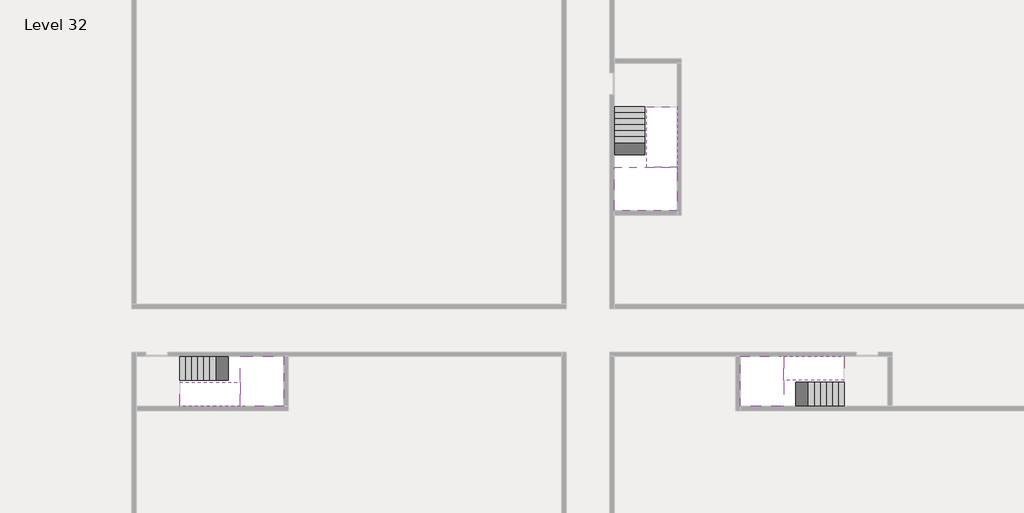
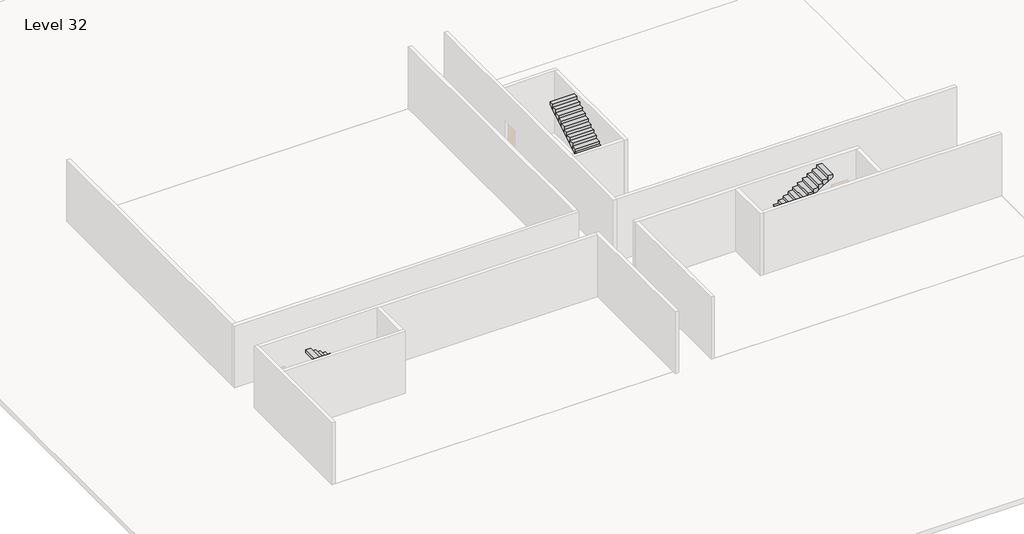
# One storey, part 2 of 2: 6 stair flights, 3 slabs.
"""IFC4 building model written with IfcOpenShell, lengths in millimetres."""

from ifc_helpers import new_model, si_unit, origin, place, context, project, spatial, faceted_brep, element, save

model = new_model("IFC4")

# Units and contexts
model_context = context("Model", 3, world=origin())
ifc_project = project(units=[si_unit("LENGTHUNIT", "METRE", prefix="MILLI")], contexts=[model_context])

# Site, building, storey
site = spatial("IfcSite", under=ifc_project)
building = spatial("IfcBuilding", under=site)
storey = spatial("IfcBuildingStorey", under=building, Name="Level 32", Elevation=117800.0)

# Slabs
placement = place(None, origin())
element("IfcSlab", 1, at=placement, inside=storey, context=model_context, shape_type="Brep", body=[
    faceted_brep([(8190.1058784, -42918.09644, 119700.0), (8190.1058784, -44018.09644, 119700.0), (8190.1058784, -44118.09644, 119700.0), (8190.1058784, -45218.09644, 119700.0), (8390.7194421, -45218.09644, 119700.0), (10190.1058784, -45218.09644, 119700.0), (10190.1058784, -42918.09644, 119700.0), (8269.4923146, -42918.09644, 119700.0), (8190.1058784, -42918.09644, 119527.2727273), (8190.1058784, -42918.09644, 119351.0278478), (8190.1058784, -44018.09644, 119351.0278478), (8190.1058784, -44018.09644, 119400.0), (8190.1058784, -44118.09644, 119400.0), (8190.1058784, -44118.09644, 119523.7551205), (8190.1058784, -45218.09644, 119523.7551205), (8390.7194421, -45218.09644, 119400.0), (10190.1058784, -45218.09644, 119400.0), (10190.1058784, -42918.09644, 119400.0), (8269.4923146, -42918.09644, 119400.0), (8390.7194421, -44118.09644, 119400.0), (8269.4923146, -44018.09644, 119400.0)], [[[0, 1, 2, 3, 4, 5, 6, 7]], [[1, 0, 8, 9, 10, 11]], [[2, 1, 11, 12, 13]], [[3, 2, 13, 14]], [[3, 14, 15, 16, 5, 4]], [[6, 5, 16, 17]], [[9, 8, 0, 7, 6, 17, 18]], [[19, 12, 11, 20, 18, 17, 16, 15]], [[12, 19, 13]], [[18, 20, 10, 9]], [[20, 11, 10]], [[19, 15, 14, 13]]]),
])
element("IfcSlab", 2, at=placement, inside=storey, context=model_context, shape_type="Brep", body=[
    faceted_brep([(33190.1058784, -45218.09644, 119700.0), (33190.1058784, -44118.09644, 119700.0), (33190.1058784, -44018.09644, 119700.0), (33190.1058784, -42918.09644, 119700.0), (32989.4923146, -42918.09644, 119700.0), (31190.1058784, -42918.09644, 119700.0), (31190.1058784, -45218.09644, 119700.0), (33110.7194421, -45218.09644, 119700.0), (33190.1058784, -45218.09644, 119527.2727273), (33190.1058784, -45218.09644, 119351.0278478), (33190.1058784, -44118.09644, 119351.0278478), (33190.1058784, -44118.09644, 119400.0), (33190.1058784, -44018.09644, 119400.0), (33190.1058784, -44018.09644, 119523.7551205), (33190.1058784, -42918.09644, 119523.7551205), (32989.4923146, -42918.09644, 119400.0), (31190.1058784, -42918.09644, 119400.0), (31190.1058784, -45218.09644, 119400.0), (33110.7194421, -45218.09644, 119400.0), (32989.4923146, -44018.09644, 119400.0), (33110.7194421, -44118.09644, 119400.0)], [[[0, 1, 2, 3, 4, 5, 6, 7]], [[1, 0, 8, 9, 10, 11]], [[2, 1, 11, 12, 13]], [[3, 2, 13, 14]], [[3, 14, 15, 16, 5, 4]], [[6, 5, 16, 17]], [[9, 8, 0, 7, 6, 17, 18]], [[19, 12, 11, 20, 18, 17, 16, 15]], [[12, 19, 13]], [[18, 20, 10, 9]], [[20, 11, 10]], [[19, 15, 14, 13]]]),
])
element("IfcSlab", 3, at=placement, inside=storey, context=model_context, shape_type="Brep", body=[
    faceted_brep([(26790.1058784, -34218.09644, 119700.0), (25390.1058784, -34218.09644, 119700.0), (25390.1058784, -34297.4828763, 119700.0), (25390.1058784, -36218.09644, 119700.0), (28290.1058784, -36218.09644, 119700.0), (28290.1058784, -34418.7100038, 119700.0), (28290.1058784, -34218.09644, 119700.0), (26890.1058784, -34218.09644, 119700.0), (26790.1058784, -34218.09644, 119400.0), (26790.1058784, -34218.09644, 119351.0278478), (25390.1058784, -34218.09644, 119351.0278478), (25390.1058784, -34218.09644, 119527.2727273), (25390.1058784, -34297.4828763, 119400.0), (25390.1058784, -36218.09644, 119400.0), (28290.1058784, -36218.09644, 119400.0), (28290.1058784, -34418.7100038, 119400.0), (28290.1058784, -34218.09644, 119523.7551205), (26890.1058784, -34218.09644, 119523.7551205), (26890.1058784, -34218.09644, 119400.0), (26890.1058784, -34418.7100038, 119400.0), (26790.1058784, -34297.4828763, 119400.0)], [[[0, 1, 2, 3, 4, 5, 6, 7]], [[1, 0, 8, 9, 10, 11]], [[1, 11, 10, 12, 13, 3, 2]], [[4, 3, 13, 14]], [[4, 14, 15, 16, 6, 5]], [[7, 6, 16, 17]], [[0, 7, 17, 18, 8]], [[18, 19, 15, 14, 13, 12, 20, 8]], [[19, 18, 17]], [[20, 12, 10, 9]], [[8, 20, 9]], [[15, 19, 17, 16]]]),
])

# Stair flights
element("IfcStairFlight", 4, at=placement, inside=storey, context=model_context, shape_type="Brep", body=[
    faceted_brep([(5670.1058784, -42918.09644, 117972.7272727), (5390.1058784, -42918.09644, 117972.7272727), (5390.1058784, -44018.09644, 117972.7272727), (5670.1058784, -44018.09644, 117972.7272727), (5670.1058784, -42918.09644, 117800.0), (5390.1058784, -42918.09644, 117800.0), (5390.1058784, -44018.09644, 117800.0), (5670.1058784, -44018.09644, 117800.0), (5950.1058784, -42918.09644, 118145.4545455), (5670.1058784, -42918.09644, 118145.4545455), (5670.1058784, -44018.09644, 118145.4545455), (5950.1058784, -44018.09644, 118145.4545455), (5950.1058784, -42918.09644, 117969.209666), (5675.8081041, -42918.09644, 117800.0), (5675.8081041, -44018.09644, 117800.0), (5950.1058784, -44018.09644, 117969.209666), (6230.1058784, -42918.09644, 118318.1818182), (5950.1058784, -42918.09644, 118318.1818182), (5950.1058784, -44018.09644, 118318.1818182), (6230.1058784, -44018.09644, 118318.1818182), (6230.1058784, -42918.09644, 118141.9369387), (6230.1058784, -44018.09644, 118141.9369387), (6510.1058784, -42918.09644, 118490.9090909), (6230.1058784, -42918.09644, 118490.9090909), (6230.1058784, -44018.09644, 118490.9090909), (6510.1058784, -44018.09644, 118490.9090909), (6510.1058784, -42918.09644, 118314.6642114), (6510.1058784, -44018.09644, 118314.6642114), (6790.1058784, -42918.09644, 118663.6363636), (6510.1058784, -42918.09644, 118663.6363636), (6510.1058784, -44018.09644, 118663.6363636), (6790.1058784, -44018.09644, 118663.6363636), (6790.1058784, -42918.09644, 118487.3914841), (6790.1058784, -44018.09644, 118487.3914841), (7070.1058784, -42918.09644, 118836.3636364), (6790.1058784, -42918.09644, 118836.3636364), (6790.1058784, -44018.09644, 118836.3636364), (7070.1058784, -44018.09644, 118836.3636364), (7070.1058784, -42918.09644, 118660.1187569), (7070.1058784, -44018.09644, 118660.1187569), (7350.1058784, -42918.09644, 119009.0909091), (7070.1058784, -42918.09644, 119009.0909091), (7070.1058784, -44018.09644, 119009.0909091), (7350.1058784, -44018.09644, 119009.0909091), (7350.1058784, -42918.09644, 118832.8460296), (7350.1058784, -44018.09644, 118832.8460296), (7630.1058784, -42918.09644, 119181.8181818), (7350.1058784, -42918.09644, 119181.8181818), (7350.1058784, -44018.09644, 119181.8181818), (7630.1058784, -44018.09644, 119181.8181818), (7630.1058784, -42918.09644, 119005.5733023), (7630.1058784, -44018.09644, 119005.5733023), (7910.1058784, -42918.09644, 119354.5454545), (7630.1058784, -42918.09644, 119354.5454545), (7630.1058784, -44018.09644, 119354.5454545), (7910.1058784, -44018.09644, 119354.5454545), (7910.1058784, -42918.09644, 119178.3005751), (7910.1058784, -44018.09644, 119178.3005751), (8190.1058784, -42918.09644, 119527.2727273), (7910.1058784, -42918.09644, 119527.2727273), (7910.1058784, -44018.09644, 119527.2727273), (8190.1058784, -44018.09644, 119527.2727273), (8190.1058784, -42918.09644, 119351.0278478), (8190.1058784, -44018.09644, 119351.0278478), (8190.1058784, -44018.09644, 119400.0)], [[[0, 1, 2, 3]], [[1, 0, 4, 5]], [[2, 1, 5, 6]], [[3, 2, 6, 7]], [[8, 9, 10, 11]], [[4, 0, 9, 8, 12, 13]], [[0, 3, 10, 9]], [[3, 7, 14, 15, 11, 10]], [[16, 17, 18, 19]], [[17, 16, 20, 12, 8]], [[8, 11, 18, 17]], [[19, 18, 11, 15, 21]], [[22, 23, 24, 25]], [[23, 22, 26, 20, 16]], [[16, 19, 24, 23]], [[25, 24, 19, 21, 27]], [[28, 29, 30, 31]], [[29, 28, 32, 26, 22]], [[22, 25, 30, 29]], [[31, 30, 25, 27, 33]], [[34, 35, 36, 37]], [[35, 34, 38, 32, 28]], [[28, 31, 36, 35]], [[37, 36, 31, 33, 39]], [[40, 41, 42, 43]], [[41, 40, 44, 38, 34]], [[34, 37, 42, 41]], [[43, 42, 37, 39, 45]], [[46, 47, 48, 49]], [[47, 46, 50, 44, 40]], [[40, 43, 48, 47]], [[49, 48, 43, 45, 51]], [[52, 53, 54, 55]], [[53, 52, 56, 50, 46]], [[46, 49, 54, 53]], [[55, 54, 49, 51, 57]], [[58, 59, 60, 61]], [[59, 58, 62, 56, 52]], [[52, 55, 60, 59]], [[61, 60, 55, 57, 63, 64]], [[58, 61, 64, 63, 62]], [[5, 4, 13, 14, 7, 6]], [[14, 13, 12, 20, 26, 32, 38, 44, 50, 56, 62, 63, 57, 51, 45, 39, 33, 27, 21, 15]]]),
])
element("IfcStairFlight", 5, at=placement, inside=storey, context=model_context, shape_type="Brep", body=[
    faceted_brep([(7910.1058784, -45218.09644, 119872.7272727), (8190.1058784, -45218.09644, 119872.7272727), (8190.1058784, -44118.09644, 119872.7272727), (7910.1058784, -44118.09644, 119872.7272727), (7910.1058784, -45218.09644, 119696.4823932), (8190.1058784, -45218.09644, 119523.7551205), (8190.1058784, -45218.09644, 119700.0), (8190.1058784, -44118.09644, 119523.7551205), (7910.1058784, -44118.09644, 119696.4823932), (7630.1058784, -45218.09644, 120045.4545455), (7910.1058784, -45218.09644, 120045.4545455), (7910.1058784, -44118.09644, 120045.4545455), (7630.1058784, -44118.09644, 120045.4545455), (7630.1058784, -45218.09644, 119869.209666), (7630.1058784, -44118.09644, 119869.209666), (7350.1058784, -45218.09644, 120218.1818182), (7630.1058784, -45218.09644, 120218.1818182), (7630.1058784, -44118.09644, 120218.1818182), (7350.1058784, -44118.09644, 120218.1818182), (7350.1058784, -45218.09644, 120041.9369387), (7350.1058784, -44118.09644, 120041.9369387), (7070.1058784, -45218.09644, 120390.9090909), (7350.1058784, -45218.09644, 120390.9090909), (7350.1058784, -44118.09644, 120390.9090909), (7070.1058784, -44118.09644, 120390.9090909), (7070.1058784, -45218.09644, 120214.6642114), (7070.1058784, -44118.09644, 120214.6642114), (6790.1058784, -45218.09644, 120563.6363636), (7070.1058784, -45218.09644, 120563.6363636), (7070.1058784, -44118.09644, 120563.6363636), (6790.1058784, -44118.09644, 120563.6363636), (6790.1058784, -45218.09644, 120387.3914841), (6790.1058784, -44118.09644, 120387.3914841), (6510.1058784, -45218.09644, 120736.3636364), (6790.1058784, -45218.09644, 120736.3636364), (6790.1058784, -44118.09644, 120736.3636364), (6510.1058784, -44118.09644, 120736.3636364), (6510.1058784, -45218.09644, 120560.1187569), (6510.1058784, -44118.09644, 120560.1187569), (6230.1058784, -45218.09644, 120909.0909091), (6510.1058784, -45218.09644, 120909.0909091), (6510.1058784, -44118.09644, 120909.0909091), (6230.1058784, -44118.09644, 120909.0909091), (6230.1058784, -45218.09644, 120732.8460296), (6230.1058784, -44118.09644, 120732.8460296), (5950.1058784, -45218.09644, 121081.8181818), (6230.1058784, -45218.09644, 121081.8181818), (6230.1058784, -44118.09644, 121081.8181818), (5950.1058784, -44118.09644, 121081.8181818), (5950.1058784, -45218.09644, 120905.5733023), (5950.1058784, -44118.09644, 120905.5733023), (5670.1058784, -45218.09644, 121254.5454545), (5950.1058784, -45218.09644, 121254.5454545), (5950.1058784, -44118.09644, 121254.5454545), (5670.1058784, -44118.09644, 121254.5454545), (5670.1058784, -45218.09644, 121078.3005751), (5670.1058784, -44118.09644, 121078.3005751), (5390.1058784, -45218.09644, 121427.2727273), (5670.1058784, -45218.09644, 121427.2727273), (5670.1058784, -44118.09644, 121427.2727273), (5390.1058784, -44118.09644, 121427.2727273), (5390.1058784, -45218.09644, 121251.0278478), (5390.1058784, -44118.09644, 121251.0278478)], [[[0, 1, 2, 3]], [[1, 0, 4, 5, 6]], [[2, 1, 6, 5, 7]], [[3, 2, 7, 8]], [[9, 10, 11, 12]], [[10, 9, 13, 4, 0]], [[11, 10, 0, 3]], [[12, 11, 3, 8, 14]], [[15, 16, 17, 18]], [[16, 15, 19, 13, 9]], [[17, 16, 9, 12]], [[18, 17, 12, 14, 20]], [[21, 22, 23, 24]], [[22, 21, 25, 19, 15]], [[23, 22, 15, 18]], [[24, 23, 18, 20, 26]], [[27, 28, 29, 30]], [[28, 27, 31, 25, 21]], [[29, 28, 21, 24]], [[30, 29, 24, 26, 32]], [[33, 34, 35, 36]], [[34, 33, 37, 31, 27]], [[35, 34, 27, 30]], [[36, 35, 30, 32, 38]], [[39, 40, 41, 42]], [[40, 39, 43, 37, 33]], [[41, 40, 33, 36]], [[42, 41, 36, 38, 44]], [[45, 46, 47, 48]], [[46, 45, 49, 43, 39]], [[47, 46, 39, 42]], [[48, 47, 42, 44, 50]], [[51, 52, 53, 54]], [[52, 51, 55, 49, 45]], [[53, 52, 45, 48]], [[54, 53, 48, 50, 56]], [[57, 58, 59, 60]], [[58, 57, 61, 55, 51]], [[59, 58, 51, 54]], [[60, 59, 54, 56, 62]], [[57, 60, 62, 61]], [[5, 4, 13, 19, 25, 31, 37, 43, 49, 55, 61, 62, 56, 50, 44, 38, 32, 26, 20, 14, 8, 7]]]),
])
element("IfcStairFlight", 6, at=placement, inside=storey, context=model_context, shape_type="Brep", body=[
    faceted_brep([(35710.1058784, -45218.09644, 117972.7272727), (35990.1058784, -45218.09644, 117972.7272727), (35990.1058784, -44118.09644, 117972.7272727), (35710.1058784, -44118.09644, 117972.7272727), (35710.1058784, -45218.09644, 117800.0), (35990.1058784, -45218.09644, 117800.0), (35990.1058784, -44118.09644, 117800.0), (35710.1058784, -44118.09644, 117800.0), (35430.1058784, -45218.09644, 118145.4545455), (35710.1058784, -45218.09644, 118145.4545455), (35710.1058784, -44118.09644, 118145.4545455), (35430.1058784, -44118.09644, 118145.4545455), (35430.1058784, -45218.09644, 117969.209666), (35704.4036527, -45218.09644, 117800.0), (35704.4036527, -44118.09644, 117800.0), (35430.1058784, -44118.09644, 117969.209666), (35150.1058784, -45218.09644, 118318.1818182), (35430.1058784, -45218.09644, 118318.1818182), (35430.1058784, -44118.09644, 118318.1818182), (35150.1058784, -44118.09644, 118318.1818182), (35150.1058784, -45218.09644, 118141.9369387), (35150.1058784, -44118.09644, 118141.9369387), (34870.1058784, -45218.09644, 118490.9090909), (35150.1058784, -45218.09644, 118490.9090909), (35150.1058784, -44118.09644, 118490.9090909), (34870.1058784, -44118.09644, 118490.9090909), (34870.1058784, -45218.09644, 118314.6642114), (34870.1058784, -44118.09644, 118314.6642114), (34590.1058784, -45218.09644, 118663.6363636), (34870.1058784, -45218.09644, 118663.6363636), (34870.1058784, -44118.09644, 118663.6363636), (34590.1058784, -44118.09644, 118663.6363636), (34590.1058784, -45218.09644, 118487.3914841), (34590.1058784, -44118.09644, 118487.3914841), (34310.1058784, -45218.09644, 118836.3636364), (34590.1058784, -45218.09644, 118836.3636364), (34590.1058784, -44118.09644, 118836.3636364), (34310.1058784, -44118.09644, 118836.3636364), (34310.1058784, -45218.09644, 118660.1187569), (34310.1058784, -44118.09644, 118660.1187569), (34030.1058784, -45218.09644, 119009.0909091), (34310.1058784, -45218.09644, 119009.0909091), (34310.1058784, -44118.09644, 119009.0909091), (34030.1058784, -44118.09644, 119009.0909091), (34030.1058784, -45218.09644, 118832.8460296), (34030.1058784, -44118.09644, 118832.8460296), (33750.1058784, -45218.09644, 119181.8181818), (34030.1058784, -45218.09644, 119181.8181818), (34030.1058784, -44118.09644, 119181.8181818), (33750.1058784, -44118.09644, 119181.8181818), (33750.1058784, -45218.09644, 119005.5733023), (33750.1058784, -44118.09644, 119005.5733023), (33470.1058784, -45218.09644, 119354.5454545), (33750.1058784, -45218.09644, 119354.5454545), (33750.1058784, -44118.09644, 119354.5454545), (33470.1058784, -44118.09644, 119354.5454545), (33470.1058784, -45218.09644, 119178.3005751), (33470.1058784, -44118.09644, 119178.3005751), (33190.1058784, -45218.09644, 119527.2727273), (33470.1058784, -45218.09644, 119527.2727273), (33470.1058784, -44118.09644, 119527.2727273), (33190.1058784, -44118.09644, 119527.2727273), (33190.1058784, -45218.09644, 119351.0278478), (33190.1058784, -44118.09644, 119351.0278478), (33190.1058784, -44118.09644, 119400.0)], [[[0, 1, 2, 3]], [[1, 0, 4, 5]], [[2, 1, 5, 6]], [[3, 2, 6, 7]], [[8, 9, 10, 11]], [[4, 0, 9, 8, 12, 13]], [[0, 3, 10, 9]], [[3, 7, 14, 15, 11, 10]], [[16, 17, 18, 19]], [[17, 16, 20, 12, 8]], [[8, 11, 18, 17]], [[19, 18, 11, 15, 21]], [[22, 23, 24, 25]], [[23, 22, 26, 20, 16]], [[16, 19, 24, 23]], [[25, 24, 19, 21, 27]], [[28, 29, 30, 31]], [[29, 28, 32, 26, 22]], [[22, 25, 30, 29]], [[31, 30, 25, 27, 33]], [[34, 35, 36, 37]], [[35, 34, 38, 32, 28]], [[28, 31, 36, 35]], [[37, 36, 31, 33, 39]], [[40, 41, 42, 43]], [[41, 40, 44, 38, 34]], [[34, 37, 42, 41]], [[43, 42, 37, 39, 45]], [[46, 47, 48, 49]], [[47, 46, 50, 44, 40]], [[40, 43, 48, 47]], [[49, 48, 43, 45, 51]], [[52, 53, 54, 55]], [[53, 52, 56, 50, 46]], [[46, 49, 54, 53]], [[55, 54, 49, 51, 57]], [[58, 59, 60, 61]], [[59, 58, 62, 56, 52]], [[52, 55, 60, 59]], [[61, 60, 55, 57, 63, 64]], [[58, 61, 64, 63, 62]], [[5, 4, 13, 14, 7, 6]], [[14, 13, 12, 20, 26, 32, 38, 44, 50, 56, 62, 63, 57, 51, 45, 39, 33, 27, 21, 15]]]),
])
element("IfcStairFlight", 7, at=placement, inside=storey, context=model_context, shape_type="Brep", body=[
    faceted_brep([(33470.1058784, -42918.09644, 119872.7272727), (33190.1058784, -42918.09644, 119872.7272727), (33190.1058784, -44018.09644, 119872.7272727), (33470.1058784, -44018.09644, 119872.7272727), (33470.1058784, -42918.09644, 119696.4823932), (33190.1058784, -42918.09644, 119523.7551205), (33190.1058784, -42918.09644, 119700.0), (33190.1058784, -44018.09644, 119523.7551205), (33470.1058784, -44018.09644, 119696.4823932), (33750.1058784, -42918.09644, 120045.4545455), (33470.1058784, -42918.09644, 120045.4545455), (33470.1058784, -44018.09644, 120045.4545455), (33750.1058784, -44018.09644, 120045.4545455), (33750.1058784, -42918.09644, 119869.209666), (33750.1058784, -44018.09644, 119869.209666), (34030.1058784, -42918.09644, 120218.1818182), (33750.1058784, -42918.09644, 120218.1818182), (33750.1058784, -44018.09644, 120218.1818182), (34030.1058784, -44018.09644, 120218.1818182), (34030.1058784, -42918.09644, 120041.9369387), (34030.1058784, -44018.09644, 120041.9369387), (34310.1058784, -42918.09644, 120390.9090909), (34030.1058784, -42918.09644, 120390.9090909), (34030.1058784, -44018.09644, 120390.9090909), (34310.1058784, -44018.09644, 120390.9090909), (34310.1058784, -42918.09644, 120214.6642114), (34310.1058784, -44018.09644, 120214.6642114), (34590.1058784, -42918.09644, 120563.6363636), (34310.1058784, -42918.09644, 120563.6363636), (34310.1058784, -44018.09644, 120563.6363636), (34590.1058784, -44018.09644, 120563.6363636), (34590.1058784, -42918.09644, 120387.3914841), (34590.1058784, -44018.09644, 120387.3914841), (34870.1058784, -42918.09644, 120736.3636364), (34590.1058784, -42918.09644, 120736.3636364), (34590.1058784, -44018.09644, 120736.3636364), (34870.1058784, -44018.09644, 120736.3636364), (34870.1058784, -42918.09644, 120560.1187569), (34870.1058784, -44018.09644, 120560.1187569), (35150.1058784, -42918.09644, 120909.0909091), (34870.1058784, -42918.09644, 120909.0909091), (34870.1058784, -44018.09644, 120909.0909091), (35150.1058784, -44018.09644, 120909.0909091), (35150.1058784, -42918.09644, 120732.8460296), (35150.1058784, -44018.09644, 120732.8460296), (35430.1058784, -42918.09644, 121081.8181818), (35150.1058784, -42918.09644, 121081.8181818), (35150.1058784, -44018.09644, 121081.8181818), (35430.1058784, -44018.09644, 121081.8181818), (35430.1058784, -42918.09644, 120905.5733023), (35430.1058784, -44018.09644, 120905.5733023), (35710.1058784, -42918.09644, 121254.5454545), (35430.1058784, -42918.09644, 121254.5454545), (35430.1058784, -44018.09644, 121254.5454545), (35710.1058784, -44018.09644, 121254.5454545), (35710.1058784, -42918.09644, 121078.3005751), (35710.1058784, -44018.09644, 121078.3005751), (35990.1058784, -42918.09644, 121427.2727273), (35710.1058784, -42918.09644, 121427.2727273), (35710.1058784, -44018.09644, 121427.2727273), (35990.1058784, -44018.09644, 121427.2727273), (35990.1058784, -42918.09644, 121251.0278478), (35990.1058784, -44018.09644, 121251.0278478)], [[[0, 1, 2, 3]], [[1, 0, 4, 5, 6]], [[2, 1, 6, 5, 7]], [[3, 2, 7, 8]], [[9, 10, 11, 12]], [[10, 9, 13, 4, 0]], [[11, 10, 0, 3]], [[12, 11, 3, 8, 14]], [[15, 16, 17, 18]], [[16, 15, 19, 13, 9]], [[17, 16, 9, 12]], [[18, 17, 12, 14, 20]], [[21, 22, 23, 24]], [[22, 21, 25, 19, 15]], [[23, 22, 15, 18]], [[24, 23, 18, 20, 26]], [[27, 28, 29, 30]], [[28, 27, 31, 25, 21]], [[29, 28, 21, 24]], [[30, 29, 24, 26, 32]], [[33, 34, 35, 36]], [[34, 33, 37, 31, 27]], [[35, 34, 27, 30]], [[36, 35, 30, 32, 38]], [[39, 40, 41, 42]], [[40, 39, 43, 37, 33]], [[41, 40, 33, 36]], [[42, 41, 36, 38, 44]], [[45, 46, 47, 48]], [[46, 45, 49, 43, 39]], [[47, 46, 39, 42]], [[48, 47, 42, 44, 50]], [[51, 52, 53, 54]], [[52, 51, 55, 49, 45]], [[53, 52, 45, 48]], [[54, 53, 48, 50, 56]], [[57, 58, 59, 60]], [[58, 57, 61, 55, 51]], [[59, 58, 51, 54]], [[60, 59, 54, 56, 62]], [[57, 60, 62, 61]], [[5, 4, 13, 19, 25, 31, 37, 43, 49, 55, 61, 62, 56, 50, 44, 38, 32, 26, 20, 14, 8, 7]]]),
])
element("IfcStairFlight", 8, at=placement, inside=storey, context=model_context, shape_type="Brep", body=[
    faceted_brep([(26790.1058784, -31698.09644, 117972.7272727), (26790.1058784, -31418.09644, 117972.7272727), (25390.1058784, -31418.09644, 117972.7272727), (25390.1058784, -31698.09644, 117972.7272727), (26790.1058784, -31698.09644, 117800.0), (26790.1058784, -31418.09644, 117800.0), (25390.1058784, -31418.09644, 117800.0), (25390.1058784, -31698.09644, 117800.0), (26790.1058784, -31978.09644, 118145.4545455), (26790.1058784, -31698.09644, 118145.4545455), (25390.1058784, -31698.09644, 118145.4545455), (25390.1058784, -31978.09644, 118145.4545455), (26790.1058784, -31978.09644, 117969.209666), (26790.1058784, -31703.7986657, 117800.0), (25390.1058784, -31703.7986657, 117800.0), (25390.1058784, -31978.09644, 117969.209666), (26790.1058784, -32258.09644, 118318.1818182), (26790.1058784, -31978.09644, 118318.1818182), (25390.1058784, -31978.09644, 118318.1818182), (25390.1058784, -32258.09644, 118318.1818182), (26790.1058784, -32258.09644, 118141.9369387), (25390.1058784, -32258.09644, 118141.9369387), (26790.1058784, -32538.09644, 118490.9090909), (26790.1058784, -32258.09644, 118490.9090909), (25390.1058784, -32258.09644, 118490.9090909), (25390.1058784, -32538.09644, 118490.9090909), (26790.1058784, -32538.09644, 118314.6642114), (25390.1058784, -32538.09644, 118314.6642114), (26790.1058784, -32818.09644, 118663.6363636), (26790.1058784, -32538.09644, 118663.6363636), (25390.1058784, -32538.09644, 118663.6363636), (25390.1058784, -32818.09644, 118663.6363636), (26790.1058784, -32818.09644, 118487.3914841), (25390.1058784, -32818.09644, 118487.3914841), (26790.1058784, -33098.09644, 118836.3636364), (26790.1058784, -32818.09644, 118836.3636364), (25390.1058784, -32818.09644, 118836.3636364), (25390.1058784, -33098.09644, 118836.3636364), (26790.1058784, -33098.09644, 118660.1187569), (25390.1058784, -33098.09644, 118660.1187569), (26790.1058784, -33378.09644, 119009.0909091), (26790.1058784, -33098.09644, 119009.0909091), (25390.1058784, -33098.09644, 119009.0909091), (25390.1058784, -33378.09644, 119009.0909091), (26790.1058784, -33378.09644, 118832.8460296), (25390.1058784, -33378.09644, 118832.8460296), (26790.1058784, -33658.09644, 119181.8181818), (26790.1058784, -33378.09644, 119181.8181818), (25390.1058784, -33378.09644, 119181.8181818), (25390.1058784, -33658.09644, 119181.8181818), (26790.1058784, -33658.09644, 119005.5733023), (25390.1058784, -33658.09644, 119005.5733023), (26790.1058784, -33938.09644, 119354.5454545), (26790.1058784, -33658.09644, 119354.5454545), (25390.1058784, -33658.09644, 119354.5454545), (25390.1058784, -33938.09644, 119354.5454545), (26790.1058784, -33938.09644, 119178.3005751), (25390.1058784, -33938.09644, 119178.3005751), (26790.1058784, -34218.09644, 119527.2727273), (26790.1058784, -33938.09644, 119527.2727273), (25390.1058784, -33938.09644, 119527.2727273), (25390.1058784, -34218.09644, 119527.2727273), (26790.1058784, -34218.09644, 119400.0), (26790.1058784, -34218.09644, 119351.0278478), (25390.1058784, -34218.09644, 119351.0278478)], [[[0, 1, 2, 3]], [[1, 0, 4, 5]], [[2, 1, 5, 6]], [[3, 2, 6, 7]], [[8, 9, 10, 11]], [[4, 0, 9, 8, 12, 13]], [[0, 3, 10, 9]], [[3, 7, 14, 15, 11, 10]], [[16, 17, 18, 19]], [[17, 16, 20, 12, 8]], [[8, 11, 18, 17]], [[19, 18, 11, 15, 21]], [[22, 23, 24, 25]], [[23, 22, 26, 20, 16]], [[16, 19, 24, 23]], [[25, 24, 19, 21, 27]], [[28, 29, 30, 31]], [[29, 28, 32, 26, 22]], [[22, 25, 30, 29]], [[31, 30, 25, 27, 33]], [[34, 35, 36, 37]], [[35, 34, 38, 32, 28]], [[28, 31, 36, 35]], [[37, 36, 31, 33, 39]], [[40, 41, 42, 43]], [[41, 40, 44, 38, 34]], [[34, 37, 42, 41]], [[43, 42, 37, 39, 45]], [[46, 47, 48, 49]], [[47, 46, 50, 44, 40]], [[40, 43, 48, 47]], [[49, 48, 43, 45, 51]], [[52, 53, 54, 55]], [[53, 52, 56, 50, 46]], [[46, 49, 54, 53]], [[55, 54, 49, 51, 57]], [[58, 59, 60, 61]], [[59, 58, 62, 63, 56, 52]], [[52, 55, 60, 59]], [[61, 60, 55, 57, 64]], [[58, 61, 64, 63, 62]], [[5, 4, 13, 14, 7, 6]], [[14, 13, 12, 20, 26, 32, 38, 44, 50, 56, 63, 64, 57, 51, 45, 39, 33, 27, 21, 15]]]),
])
element("IfcStairFlight", 9, at=placement, inside=storey, context=model_context, shape_type="Brep", body=[
    faceted_brep([(26890.1058784, -33938.09644, 119872.7272727), (26890.1058784, -34218.09644, 119872.7272727), (28290.1058784, -34218.09644, 119872.7272727), (28290.1058784, -33938.09644, 119872.7272727), (26890.1058784, -33938.09644, 119696.4823932), (26890.1058784, -34218.09644, 119523.7551205), (28290.1058784, -34218.09644, 119523.7551205), (28290.1058784, -34218.09644, 119700.0), (28290.1058784, -33938.09644, 119696.4823932), (26890.1058784, -33658.09644, 120045.4545455), (26890.1058784, -33938.09644, 120045.4545455), (28290.1058784, -33938.09644, 120045.4545455), (28290.1058784, -33658.09644, 120045.4545455), (26890.1058784, -33658.09644, 119869.209666), (28290.1058784, -33658.09644, 119869.209666), (26890.1058784, -33378.09644, 120218.1818182), (26890.1058784, -33658.09644, 120218.1818182), (28290.1058784, -33658.09644, 120218.1818182), (28290.1058784, -33378.09644, 120218.1818182), (26890.1058784, -33378.09644, 120041.9369387), (28290.1058784, -33378.09644, 120041.9369387), (26890.1058784, -33098.09644, 120390.9090909), (26890.1058784, -33378.09644, 120390.9090909), (28290.1058784, -33378.09644, 120390.9090909), (28290.1058784, -33098.09644, 120390.9090909), (26890.1058784, -33098.09644, 120214.6642114), (28290.1058784, -33098.09644, 120214.6642114), (26890.1058784, -32818.09644, 120563.6363636), (26890.1058784, -33098.09644, 120563.6363636), (28290.1058784, -33098.09644, 120563.6363636), (28290.1058784, -32818.09644, 120563.6363636), (26890.1058784, -32818.09644, 120387.3914841), (28290.1058784, -32818.09644, 120387.3914841), (26890.1058784, -32538.09644, 120736.3636364), (26890.1058784, -32818.09644, 120736.3636364), (28290.1058784, -32818.09644, 120736.3636364), (28290.1058784, -32538.09644, 120736.3636364), (26890.1058784, -32538.09644, 120560.1187569), (28290.1058784, -32538.09644, 120560.1187569), (26890.1058784, -32258.09644, 120909.0909091), (26890.1058784, -32538.09644, 120909.0909091), (28290.1058784, -32538.09644, 120909.0909091), (28290.1058784, -32258.09644, 120909.0909091), (26890.1058784, -32258.09644, 120732.8460296), (28290.1058784, -32258.09644, 120732.8460296), (26890.1058784, -31978.09644, 121081.8181818), (26890.1058784, -32258.09644, 121081.8181818), (28290.1058784, -32258.09644, 121081.8181818), (28290.1058784, -31978.09644, 121081.8181818), (26890.1058784, -31978.09644, 120905.5733023), (28290.1058784, -31978.09644, 120905.5733023), (26890.1058784, -31698.09644, 121254.5454545), (26890.1058784, -31978.09644, 121254.5454545), (28290.1058784, -31978.09644, 121254.5454545), (28290.1058784, -31698.09644, 121254.5454545), (26890.1058784, -31698.09644, 121078.3005751), (28290.1058784, -31698.09644, 121078.3005751), (26890.1058784, -31418.09644, 121427.2727273), (26890.1058784, -31698.09644, 121427.2727273), (28290.1058784, -31698.09644, 121427.2727273), (28290.1058784, -31418.09644, 121427.2727273), (26890.1058784, -31418.09644, 121251.0278478), (28290.1058784, -31418.09644, 121251.0278478)], [[[0, 1, 2, 3]], [[1, 0, 4, 5]], [[2, 1, 5, 6, 7]], [[3, 2, 7, 6, 8]], [[9, 10, 11, 12]], [[10, 9, 13, 4, 0]], [[11, 10, 0, 3]], [[12, 11, 3, 8, 14]], [[15, 16, 17, 18]], [[16, 15, 19, 13, 9]], [[17, 16, 9, 12]], [[18, 17, 12, 14, 20]], [[21, 22, 23, 24]], [[22, 21, 25, 19, 15]], [[23, 22, 15, 18]], [[24, 23, 18, 20, 26]], [[27, 28, 29, 30]], [[28, 27, 31, 25, 21]], [[29, 28, 21, 24]], [[30, 29, 24, 26, 32]], [[33, 34, 35, 36]], [[34, 33, 37, 31, 27]], [[35, 34, 27, 30]], [[36, 35, 30, 32, 38]], [[39, 40, 41, 42]], [[40, 39, 43, 37, 33]], [[41, 40, 33, 36]], [[42, 41, 36, 38, 44]], [[45, 46, 47, 48]], [[46, 45, 49, 43, 39]], [[47, 46, 39, 42]], [[48, 47, 42, 44, 50]], [[51, 52, 53, 54]], [[52, 51, 55, 49, 45]], [[53, 52, 45, 48]], [[54, 53, 48, 50, 56]], [[57, 58, 59, 60]], [[58, 57, 61, 55, 51]], [[59, 58, 51, 54]], [[60, 59, 54, 56, 62]], [[57, 60, 62, 61]], [[5, 4, 13, 19, 25, 31, 37, 43, 49, 55, 61, 62, 56, 50, 44, 38, 32, 26, 20, 14, 8, 6]]]),
])

save(model, "model.ifc")
